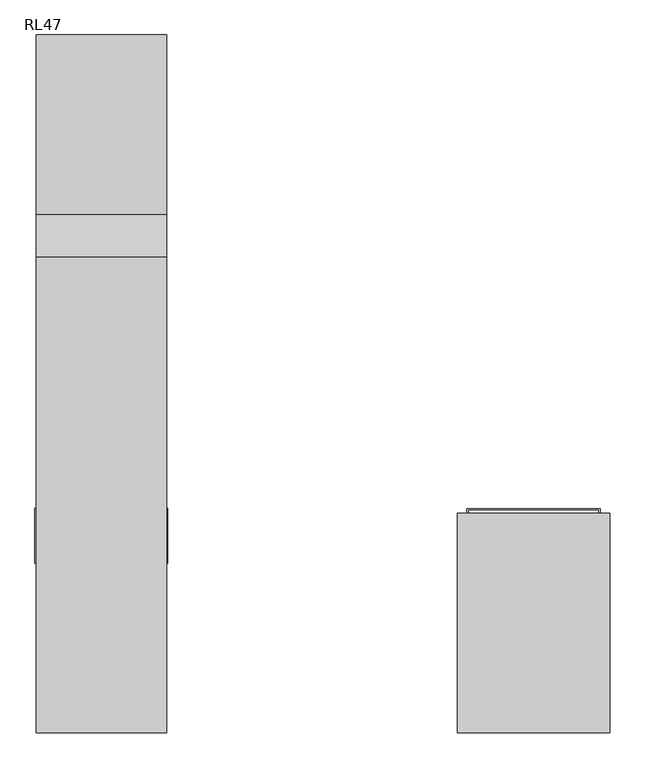
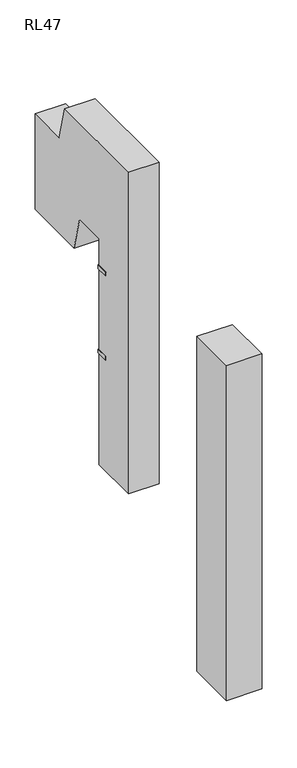
"""IFC4 building model written with IfcOpenShell, lengths in millimetres: proxy geometry, RL47."""

from ifc_helpers import new_model, si_unit, frame, origin, origin_with_axes, place, context, project, spatial, polyline, outline, extrude, faceted_brep, source, transform, mapped, element, save


def rl47_096ae373(model_context):
    return source(origin(), model_context, "Body", "SolidModel", [
        faceted_brep([(-303.5, -249.0, 0.0), (-250.5, -249.0, 0.0), (-250.5, -249.0, 3.0), (-300.5, -249.0, 3.0), (-303.5, -249.0, 3.0), (-300.5, 111.0, 3.0), (-250.5, 111.0, 3.0), (-250.5, 111.0, 0.0), (-303.5, 111.0, 0.0), (-303.5, 111.0, 3.0), (-300.5, -202.0, 50.0), (-300.5, 64.0, 50.0), (-303.5, 64.0, 50.0), (-303.5, -202.0, 50.0)], [[[0, 1, 2, 3, 4]], [[5, 6, 7, 8, 9]], [[10, 11, 12, 13]], [[8, 0, 4, 13, 12, 9]], [[1, 0, 8, 7]], [[2, 1, 7, 6]], [[3, 2, 6, 5]], [[3, 5, 11, 10]], [[5, 9, 12, 11]], [[4, 3, 10, 13]]]),
        faceted_brep([(300.5, -249.0, 3.0), (250.5, -249.0, 3.0), (250.5, -249.0, 0.0), (303.5, -249.0, 0.0), (303.5, -249.0, 3.0), (303.5, 111.0, 0.0), (250.5, 111.0, 0.0), (250.5, 111.0, 3.0), (300.5, 111.0, 3.0), (303.5, 111.0, 3.0), (303.5, 64.0, 50.0), (303.5, -202.0, 50.0), (300.5, 64.0, 50.0), (300.5, -202.0, 50.0)], [[[0, 1, 2, 3, 4]], [[5, 6, 7, 8, 9]], [[1, 0, 8, 7]], [[2, 1, 7, 6]], [[3, 2, 6, 5]], [[3, 5, 9, 10, 11, 4]], [[11, 10, 12, 13]], [[8, 0, 13, 12]], [[9, 8, 12, 10]], [[0, 4, 11, 13]]]),
        extrude(outline(polyline([(200.0, 9725.0), (200.0, 5000.0), (-809.5, 5000.0), (-809.5, 11725.0), (1380.6047689, 11725.0), (1574.8679334, 11000.0), (2400.0, 11000.0), (2400.0, 9000.0), (1067.2079284, 9000.0), (872.9447639, 9725.0), (200.0, 9725.0)])), frame((-2289.5, 0.0, 0.0), z_axis=(1.0, 0.0, 0.0), x_axis=(0.0, 1.0, 0.0)), (0.0, 0.0, 1.0), 600.0),
        extrude(outline(polyline([(350.5, 200.0), (350.5, -809.5), (-350.5, -809.5), (-350.5, 200.0), (350.5, 200.0)])), origin_with_axes(), (0.0, 0.0, 1.0), 7000.0),
        extrude(outline(polyline([(-1683.5, 222.0), (-1683.5, -29.0), (-1689.5, -29.0), (-1689.5, 217.0), (-2289.5, 217.0), (-2289.5, -29.0), (-2295.5, -29.0), (-2295.5, 222.0), (-1683.5, 222.0)])), frame((0.0, 0.0, 7322.5), z_axis=(0.0, 0.0, 1.0), x_axis=(1.0, 0.0, 0.0)), (0.0, 0.0, 1.0), 80.0),
        extrude(outline(polyline([(-1683.5, 222.0), (-1683.5, -29.0), (-1689.5, -29.0), (-1689.5, 217.0), (-2289.5, 217.0), (-2289.5, -29.0), (-2295.5, -29.0), (-2295.5, 222.0), (-1683.5, 222.0)])), frame((0.0, 0.0, 9085.0), z_axis=(0.0, 0.0, 1.0), x_axis=(1.0, 0.0, 0.0)), (0.0, 0.0, 1.0), 80.0),
        extrude(outline(polyline([(306.5, 222.0), (306.5, -29.0), (300.5, -29.0), (300.5, 217.0), (-300.5, 217.0), (-300.5, -29.0), (-306.5, -29.0), (-306.5, 222.0), (306.5, 222.0)])), frame((0.0, 0.0, 2460.0), z_axis=(0.0, 0.0, 1.0), x_axis=(1.0, 0.0, 0.0)), (0.0, 0.0, 1.0), 80.0),
        extrude(outline(polyline([(306.5, 222.0), (306.5, -29.0), (300.5, -29.0), (300.5, 217.0), (-300.5, 217.0), (-300.5, -29.0), (-306.5, -29.0), (-306.5, 222.0), (306.5, 222.0)])), frame((0.0, 0.0, 4360.0), z_axis=(0.0, 0.0, 1.0), x_axis=(1.0, 0.0, 0.0)), (0.0, 0.0, 1.0), 80.0),
    ])


if __name__ == "__main__":
    model = new_model("IFC4")
    model_context = context("Model", 3, world=origin())
    ifc_project = project(units=[si_unit("LENGTHUNIT", "METRE", prefix="MILLI")], contexts=[model_context])
    site = spatial("IfcSite", under=ifc_project)
    building = spatial("IfcBuilding", under=site)
    placement = place(None, origin())
    rl47_shape = rl47_096ae373(model_context)
    element("IfcBuildingElementProxy", 1, Name="RL47", ObjectType="RL47", at=placement, inside=building, context=model_context, shape_type="MappedRepresentation", body=[
        mapped(rl47_shape, transform((0.0, 0.0, 0.0), x_axis=(1.0, 0.0, 0.0), y_axis=(0.0, 1.0, 0.0), z_axis=(0.0, 0.0, 1.0))),
    ])
    save(model, "model.ifc")
